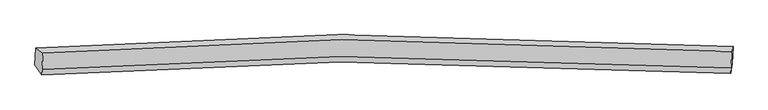
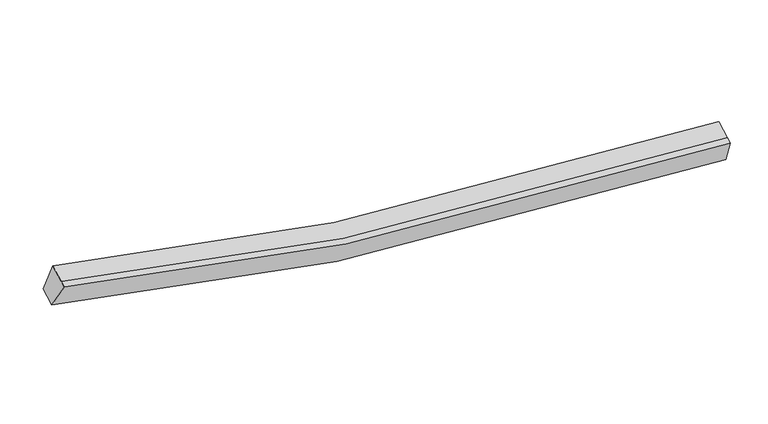
"""IFC4 building model written with IfcOpenShell, lengths in millimetres: proxy geometry."""

from ifc_helpers import new_model, si_unit, frame, origin, place, context, project, spatial, source, transform, mapped, element, save
from ifc_brep_helpers import plane_surface, spline_curve, spline_surface, advanced_brep


def generic_models_c69e5290(model_context):
    return source(origin(), model_context, "Body", "AdvancedBrep", [
        advanced_brep(
        [(-8374.1700484, -1854.8904002, 4199.8659128), (-8185.9509179, -1984.1773899, 4877.7651285), (9963.4450674, -1947.064757, 2649.394573), (9995.9772668, -1818.4504068, 1946.4799848), (-8207.7582805, -2422.5264456, 4697.1100769), (9941.6377048, -2385.4138128, 2468.7395215), (-8215.1098394, -2570.2998832, 4636.2087983), (9934.2861458, -2533.1872503, 2407.8382429), (-8396.5622475, -2304.9952361, 4014.3659984), (9973.5850677, -2268.5552427, 1760.9800704)],
        [
            (0, 1),
            (1, 2, spline_curve(3, [(-8185.9509179, -1984.1773899, 4877.7651285), (-5590.13998491, -1783.826397593, 4111.285280366), (-2968.060244575, -1669.038843577, 3538.134883861), (3065.097237048, -1602.463883523, 2672.871293813), (6492.816158503, -1704.880560849, 2503.231505564), (9963.4450674, -1947.064757, 2649.394573)], [4, 2, 4], [0.0, 26.602922811301575, 60.60366296077707])),
            (2, 3),
            (3, 0, spline_curve(3, [(9995.9772668, -1818.4504068, 1946.4799848), (6483.190784657, -1573.597222815, 1798.929727967), (3013.804938665, -1469.938378637, 1970.585197058), (-3092.746037292, -1536.842469104, 2845.506932276), (-5746.742630595, -1652.647977326, 3424.980105039), (-8374.1700484, -1854.8904002, 4199.8659128)], [4, 2, 4], [0.0, 34.0007401494755, 60.60366296077707])),
            (1, 4),
            (4, 5, spline_curve(3, [(-8207.7582805, -2422.5264456, 4697.1100769), (-5611.947347103, -2222.175453259, 3930.630228019), (-2989.867607161, -2107.387899455, 3357.479832501), (3043.289874656, -2040.812938995, 2492.216242134), (6471.008796226, -2143.22961595, 2322.576454063), (9941.6377048, -2385.4138128, 2468.7395215)], [4, 2, 4], [0.0, 26.44245527604535, 60.23810461623745])),
            (5, 2),
            (4, 6),
            (6, 7, spline_curve(3, [(-8215.1098394, -2570.2998832, 4636.2087983), (-5619.298906003, -2369.948890859, 3869.728949419), (-2997.219166161, -2255.161337055, 3296.578553801), (3035.938315656, -2188.586376595, 2431.314963434), (6463.657237226, -2291.00305345, 2261.675175463), (9934.2861458, -2533.1872503, 2407.8382429)], [4, 2, 4], [0.0, 26.442455276045344, 60.238104616237436])),
            (7, 5),
            (6, 8),
            (8, 9, spline_curve(3, [(-8396.5622475, -2304.9952361, 4014.3659984), (-5769.134829695, -2102.752813226, 3239.480190639), (-3115.138236492, -1986.947305004, 2660.007017876), (2991.412739465, -1920.043214537, 1785.085282658), (6460.798585557, -2023.702058715, 1613.429813567), (9973.5850677, -2268.5552427, 1760.9800704)], [4, 2, 4], [0.0, 26.602922811301582, 60.60366296077709])),
            (9, 7),
            (8, 0),
            (3, 9),
        ],
        [
            spline_surface(3, 3, [[(-8374.1700484, -1854.8904002, 4199.8659128), (-5746.742630278, -1652.647977385, 3424.980104852), (-3092.746037694, -1536.842469123, 2845.506932058), (3013.804939179, -1469.938378612, 1970.585197338), (6483.190784999, -1573.597222403, 1798.92972744), (9995.9772668, -1818.4504068, 1946.4799848)], [(-8311.430338253, -1897.98606344, 4425.832318027), (-5694.541748491, -1696.374117537, 3653.748496548), (-3051.184106615, -1580.907927245, 3076.382915898), (3030.902371803, -1514.113546994, 2204.680562932), (6486.399242784, -1617.358335096, 2033.696986725), (9985.133200307, -1861.321856883, 2180.784847533)], [(-8248.690628047, -1941.08172666, 4651.798723273), (-5642.340866643, -1740.100257669, 3882.516888263), (-3009.622175604, -1624.973385313, 3307.258899762), (3047.999804359, -1558.288715322, 2438.77592855), (6489.60770065, -1661.11944774, 2268.464246013), (9974.289133893, -1904.193306917, 2415.089710267)], [(-8185.9509179, -1984.1773899, 4877.7651285), (-5590.139984856, -1783.826397821, 4111.285279959), (-2968.060244525, -1669.038843435, 3538.134883602), (3065.097236983, -1602.463883704, 2672.871294143), (6492.816158435, -1704.880560433, 2503.231505298), (9963.4450674, -1947.064757, 2649.394573)]], [4, 4], [4, 2, 4], [0.0, 2.3468512188302686], [0.0, 26.602922811301575, 60.60366296077707]),
            spline_surface(3, 3, [[(-8185.9509179, -1984.1773899, 4877.7651285), (-5590.139984856, -1783.826397821, 4111.285279959), (-2968.060244525, -1669.038843435, 3538.134883602), (3065.097236983, -1602.463883704, 2672.871294143), (6492.816158435, -1704.880560433, 2503.231505298), (9963.4450674, -1947.064757, 2649.394573)], [(-8193.220038754, -2130.293741801, 4817.546777985), (-5597.409105711, -1929.942749722, 4051.066929445), (-2975.329365379, -1815.155195336, 3477.916533087), (3057.828116128, -1748.580235605, 2612.652943629), (6485.547037581, -1850.996912333, 2443.013154783), (9956.175946546, -2093.181108901, 2589.176222485)], [(-8200.489159646, -2276.410093699, 4757.328427415), (-5604.678226602, -2076.05910162, 3990.848578874), (-2982.59848617, -1961.271547234, 3417.698182616), (3050.558995337, -1894.696587504, 2552.434593158), (6478.277916689, -1997.113264332, 2382.794804312), (9948.906825654, -2239.297460899, 2528.957872015)], [(-8207.7582805, -2422.5264456, 4697.1100769), (-5611.947347456, -2222.175453521, 3930.630228359), (-2989.867607025, -2107.387899135, 3357.479832102), (3043.289874483, -2040.812939404, 2492.216242643), (6471.008795835, -2143.229616233, 2322.576453798), (9941.6377048, -2385.4138128, 2468.7395215)]], [4, 4], [4, 2, 4], [0.0, 1.5571437939772856], [0.0, 26.44245527604535, 60.23810461623745]),
            spline_surface(3, 3, [[(-8207.7582805, -2422.5264456, 4697.1100769), (-5611.947347456, -2222.175453521, 3930.630228359), (-2989.867607025, -2107.387899135, 3357.479832102), (3043.289874483, -2040.812939404, 2492.216242643), (6471.008795835, -2143.229616233, 2322.576453798), (9941.6377048, -2385.4138128, 2468.7395215)], [(-8210.208800155, -2471.784258114, 4676.809650692), (-5614.397867111, -2271.433266035, 3910.329802151), (-2992.318126679, -2156.645711649, 3337.179405894), (3040.839354828, -2090.070751918, 2471.915816435), (6468.55827618, -2192.487428746, 2302.27602759), (9939.187185145, -2434.671625314, 2448.439095292)], [(-8212.659319745, -2521.042070686, 4656.509224508), (-5616.848386702, -2320.691078607, 3890.029375967), (-2994.76864637, -2205.903524221, 3316.87897961), (3038.388835137, -2139.328564491, 2451.615390151), (6466.107756489, -2241.745241219, 2281.975601406), (9936.736665455, -2483.929437786, 2428.138669108)], [(-8215.1098394, -2570.2998832, 4636.2087983), (-5619.298906356, -2369.948891121, 3869.728949759), (-2997.219166025, -2255.161336735, 3296.578553402), (3035.938315483, -2188.586377004, 2431.314963943), (6463.657236835, -2291.003053733, 2261.675175198), (9934.2861458, -2533.1872503, 2407.8382429)]], [4, 4], [4, 2, 4], [0.0, 0.5249343832021004], [0.0, 26.442455276045344, 60.238104616237436]),
            spline_surface(3, 3, [[(-8215.1098394, -2570.2998832, 4636.2087983), (-5619.298906356, -2369.948891121, 3869.728949759), (-2997.219166025, -2255.161336735, 3296.578553402), (3035.938315483, -2188.586377004, 2431.314963943), (6463.657236835, -2291.003053733, 2261.675175198), (9934.2861458, -2533.1872503, 2407.8382429)], [(-8275.593975417, -2481.865000836, 4428.927864985), (-5669.244214014, -2280.883531845, 3659.646029975), (-3036.525522974, -2165.756659488, 3084.388041474), (3021.096456988, -2099.071989498, 2215.905070261), (6462.704353179, -2201.902721915, 2045.593387824), (9947.385786423, -2444.976581092, 2192.218852079)], [(-8336.078111483, -2393.430118464, 4221.646931715), (-5719.18952172, -2191.818172561, 3449.563110236), (-3075.831879944, -2076.35198227, 2872.197529586), (3006.254598473, -2009.557602019, 2000.49517662), (6461.751469555, -2112.802390121, 1829.511600414), (9960.485427077, -2356.765911908, 1976.599461221)], [(-8396.5622475, -2304.9952361, 4014.3659984), (-5769.134829378, -2102.752813285, 3239.480190452), (-3115.138236894, -1986.947305023, 2660.007017658), (2991.412739979, -1920.043214512, 1785.085282938), (6460.798585899, -2023.702058303, 1613.42981304), (9973.5850677, -2268.5552427, 1760.9800704)]], [4, 4], [4, 2, 4], [0.0, 2.296574214457862], [0.0, 26.602922811301582, 60.60366296077709]),
            spline_surface(3, 3, [[(-8396.5622475, -2304.9952361, 4014.3659984), (-5769.134829378, -2102.752813285, 3239.480190452), (-3115.138236894, -1986.947305023, 2660.007017658), (2991.412739979, -1920.043214512, 1785.085282938), (6460.798585899, -2023.702058303, 1613.42981304), (9973.5850677, -2268.5552427, 1760.9800704)], [(-8389.098181121, -2154.96029081, 4076.199303211), (-5761.670762998, -1952.717867995, 3301.313495262), (-3107.674170514, -1836.912359733, 2721.840322468), (2998.876806358, -1770.008269222, 1846.918587749), (6468.262652278, -1873.667113013, 1675.263117851), (9981.049134079, -2118.52029741, 1822.813375211)], [(-8381.634114779, -2004.92534549, 4138.032607989), (-5754.206696657, -1802.682922675, 3363.146800041), (-3100.210104073, -1686.877414413, 2783.673627247), (3006.3408728, -1619.973323902, 1908.751892527), (6475.72671862, -1723.632167693, 1737.09642263), (9988.513200421, -1968.48535209, 1884.646679989)], [(-8374.1700484, -1854.8904002, 4199.8659128), (-5746.742630278, -1652.647977385, 3424.980104852), (-3092.746037694, -1536.842469123, 2845.506932058), (3013.804939179, -1469.938378612, 1970.585197338), (6483.190784999, -1573.597222403, 1798.92972744), (9995.9772668, -1818.4504068, 1946.4799848)]], [4, 4], [4, 2, 4], [0.0, 1.5989037564859852], [0.0, 26.76339056585981, 60.96922180490486]),
            plane_surface(frame((9966.8233869, -2141.8144142, 2191.1732178), z_axis=(0.9973650301385205, -0.06382830880619138, 0.03448106221869572), x_axis=(0.05614131695517528, 0.3780457251756997, -0.9240831035177074))),
            plane_surface(frame((-8292.9482633, -2178.5907273, 4432.0514595), z_axis=(-0.9647253606339603, -0.05784972901595007, 0.2568236503954738), x_axis=(-0.04594724352264996, -0.9235839846334079, -0.38063299139899515))),
        ],
        [
            (0, [[1, 2, 3, 4]]),
            (1, [[5, 6, 7, -2]]),
            (2, [[8, 9, 10, -6]]),
            (3, [[11, 12, 13, -9]]),
            (4, [[14, -4, 15, -12]]),
            (5, [[-13, -15, -3, -7, -10]]),
            (6, [[-14, -11, -8, -5, -1]]),
        ],
    ),
    ])


if __name__ == "__main__":
    model = new_model("IFC4")
    model_context = context("Model", 3, world=origin())
    ifc_project = project(units=[si_unit("LENGTHUNIT", "METRE", prefix="MILLI")], contexts=[model_context])
    site = spatial("IfcSite", under=ifc_project)
    building = spatial("IfcBuilding", under=site)
    placement = place(None, origin())
    generic_models_shape = generic_models_c69e5290(model_context)
    element("IfcBuildingElementProxy", 1, Name="Generic Models", at=placement, inside=building, context=model_context, shape_type="MappedRepresentation", body=[
        mapped(generic_models_shape, transform((0.0, 0.0, 0.0), x_axis=(1.0, 0.0, 0.0), y_axis=(0.0, 1.0, 0.0), z_axis=(0.0, 0.0, 1.0))),
    ])
    save(model, "model.ifc")
